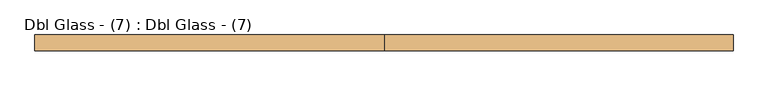
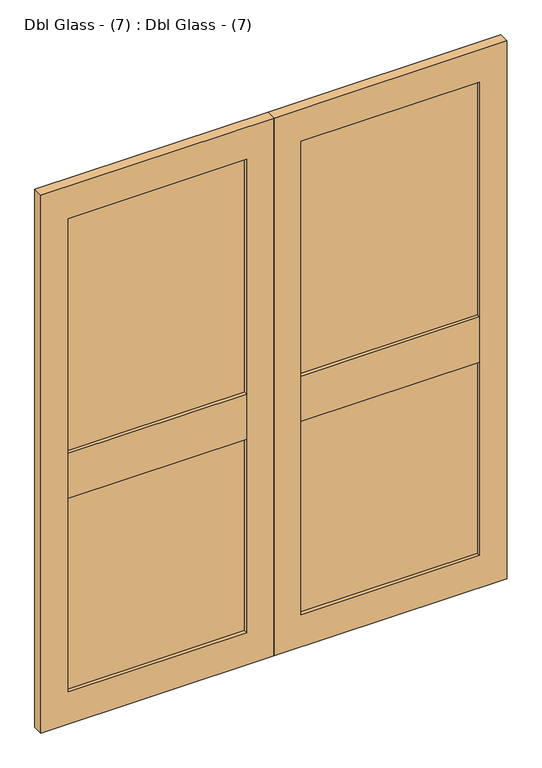
"""IFC4 building model written with IfcOpenShell, lengths in millimetres: door geometry, Dbl Glass - (7) : Dbl Glass - (7)."""

from ifc_helpers import new_model, si_unit, frame, origin, place, context, project, spatial, polyline, outline, extrude, source, transform, mapped, element, save


def dbl_glass_7_dbl_glass_7_943f782d(model_context):
    return source(origin(), model_context, "Body", "SweptSolid", [
        extrude(outline(polyline([(-100.0, 38.0), (-755.0, 38.0), (-755.0, 50.0), (-100.0, 50.0), (-100.0, 38.0)])), frame((0.0, 0.0, 125.0), z_axis=(0.0, 0.0, 1.0), x_axis=(1.0, 0.0, 0.0)), (0.0, 0.0, 1.0), 1835.0),
        extrude(outline(polyline([(755.0, 38.0), (100.0, 38.0), (100.0, 50.0), (755.0, 50.0), (755.0, 38.0)])), frame((0.0, 0.0, 125.0), z_axis=(0.0, 0.0, 1.0), x_axis=(1.0, 0.0, 0.0)), (0.0, 0.0, 1.0), 1835.0),
        extrude(outline(polyline([(2085.0, -855.0), (0.0, -855.0), (0.0, 0.0), (2085.0, 0.0), (2085.0, -855.0)]), holes=[polyline([(1960.0, -755.0), (1960.0, -100.0), (125.0, -100.0), (125.0, -755.0), (1960.0, -755.0)])]), frame((0.0, 24.035259, 0.0), z_axis=(0.0, 1.0, 0.0), x_axis=(0.0, 0.0, 1.0)), (0.0, 0.0, 1.0), 38.5435966),
        extrude(outline(polyline([(2085.0, 0.0), (0.0, 0.0), (0.0, 855.0), (2085.0, 855.0), (2085.0, 0.0)]), holes=[polyline([(1960.0, 100.0), (1960.0, 755.0), (125.0, 755.0), (125.0, 100.0), (1960.0, 100.0)])]), frame((0.0, 24.035259, 0.0), z_axis=(0.0, 1.0, 0.0), x_axis=(0.0, 0.0, 1.0)), (0.0, 0.0, 1.0), 38.5435966),
        extrude(outline(polyline([(755.0, 24.035259), (100.0, 24.035259), (100.0, 62.5788556), (755.0, 62.5788556), (755.0, 24.035259)])), frame((0.0, 0.0, 875.0), z_axis=(0.0, 0.0, 1.0), x_axis=(1.0, 0.0, 0.0)), (0.0, 0.0, 1.0), 175.0),
        extrude(outline(polyline([(-100.0, 24.035259), (-755.0, 24.035259), (-755.0, 62.5788556), (-100.0, 62.5788556), (-100.0, 24.035259)])), frame((0.0, 0.0, 875.0), z_axis=(0.0, 0.0, 1.0), x_axis=(1.0, 0.0, 0.0)), (0.0, 0.0, 1.0), 175.0),
    ])


if __name__ == "__main__":
    model = new_model("IFC4")
    model_context = context("Model", 3, world=origin())
    ifc_project = project(units=[si_unit("LENGTHUNIT", "METRE", prefix="MILLI")], contexts=[model_context])
    site = spatial("IfcSite", under=ifc_project)
    building = spatial("IfcBuilding", under=site)
    placement = place(None, origin())
    dbl_glass_7_dbl_glass_7_shape = dbl_glass_7_dbl_glass_7_943f782d(model_context)
    element("IfcDoor", 1, ObjectType="Dbl Glass - (7) : Dbl Glass - (7)", at=placement, inside=building, context=model_context, shape_type="MappedRepresentation", body=[
        mapped(dbl_glass_7_dbl_glass_7_shape, transform((0.0, 0.0, 0.0), x_axis=(1.0, 0.0, 0.0), y_axis=(0.0, 1.0, 0.0), z_axis=(0.0, 0.0, 1.0))),
    ])
    save(model, "model.ifc")
